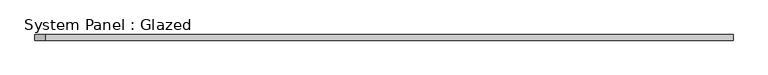
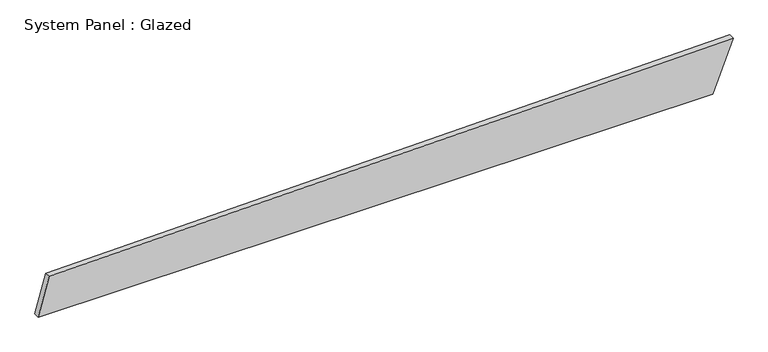
"""IFC4 building model written with IfcOpenShell, lengths in millimetres: plate geometry, System Panel : Glazed."""

from ifc_helpers import new_model, si_unit, frame, origin, place, context, project, spatial, polyline, outline, extrude, source, transform, mapped, element, save


def system_panel_glazed_c20a594d(model_context):
    return source(origin(), model_context, "Body", "SweptSolid", [
        extrude(outline(polyline([(0.0, -1540.8704025), (0.0, 1451.1624117), (230.9243953, 1540.8704025), (173.9543401, -1492.7039356), (0.0, -1540.8704025)])), frame((0.0, -49.5, 0.0), z_axis=(0.0, 1.0, 0.0), x_axis=(0.0, 0.0, 1.0)), (0.0, 0.0, 1.0), 25.0),
    ])


if __name__ == "__main__":
    model = new_model("IFC4")
    model_context = context("Model", 3, world=origin())
    ifc_project = project(units=[si_unit("LENGTHUNIT", "METRE", prefix="MILLI")], contexts=[model_context])
    site = spatial("IfcSite", under=ifc_project)
    building = spatial("IfcBuilding", under=site)
    placement = place(None, origin())
    system_panel_glazed_shape = system_panel_glazed_c20a594d(model_context)
    element("IfcPlate", 1, ObjectType="System Panel : Glazed", at=placement, inside=building, context=model_context, shape_type="MappedRepresentation", body=[
        mapped(system_panel_glazed_shape, transform((0.0, 0.0, 0.0), x_axis=(1.0, 0.0, 0.0), y_axis=(0.0, 1.0, 0.0), z_axis=(0.0, 0.0, 1.0))),
    ])
    save(model, "model.ifc")
